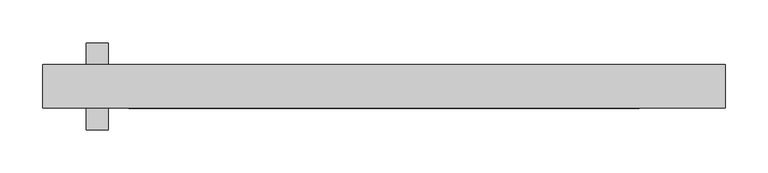
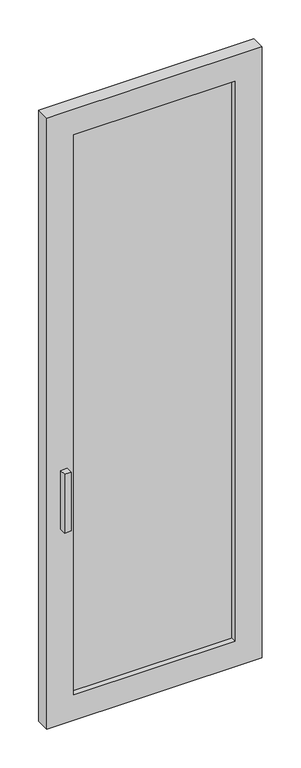
"""IFC4 building model written with IfcOpenShell, lengths in millimetres: plate geometry."""

from ifc_helpers import new_model, si_unit, frame, origin, place, context, project, spatial, polyline, outline, extrude, faceted_brep, source, transform, mapped, element, save


def plate_a7701843(model_context):
    return source(origin(), model_context, "Body", "SolidModel", [
        faceted_brep([(-321.3000001, -50.8, 990.6), (-346.7000001, -50.8, 990.6), (-346.7000001, -50.8, 762.0), (-321.3000001, -50.8, 762.0), (-321.3000001, -25.4, 990.6), (-346.7000001, -25.4, 990.6), (-346.7000001, -25.4, 762.0), (-321.3000001, -25.4, 762.0), (-397.4092903, -25.4, 2382.5), (-397.4092903, -25.4, 0.0), (397.5, -25.4, 0.0), (397.5, -25.4, 2382.5), (297.5, -25.4, 2282.5), (297.5, -25.4, 100.0), (-297.5, -25.4, 100.0), (-297.5, -25.4, 2282.5), (-397.4092903, 25.4, 2382.5), (397.5, 25.4, 2382.5), (397.5, 25.4, 0.0), (-397.4092903, 25.4, 0.0), (297.5, 25.4, 2282.5), (-297.5, 25.4, 2282.5), (-297.5, 25.4, 100.0), (297.5, 25.4, 100.0)], [[[0, 1, 2, 3]], [[1, 0, 4, 5]], [[2, 1, 5, 6]], [[3, 2, 6, 7]], [[0, 3, 7, 4]], [[8, 9, 10, 11], [12, 13, 14, 15], [5, 4, 7, 6]], [[16, 17, 18, 19], [20, 21, 22, 23]], [[9, 8, 16, 19]], [[10, 9, 19, 18]], [[11, 10, 18, 17]], [[8, 11, 17, 16]], [[13, 12, 20, 23]], [[14, 13, 23, 22]], [[15, 14, 22, 21]], [[12, 15, 21, 20]]]),
        extrude(outline(polyline([(297.5, -6.35), (-297.5, -6.35), (-297.5, 6.35), (297.5, 6.35), (297.5, -6.35)])), frame((0.0, 0.0, 100.0), z_axis=(0.0, 0.0, 1.0), x_axis=(1.0, 0.0, 0.0)), (0.0, 0.0, 1.0), 2182.5),
        extrude(outline(polyline([(-346.7000001, 50.8), (-321.3000001, 50.8), (-321.3000001, 0.0), (-346.7000001, 0.0), (-346.7000001, 50.8)])), frame((0.0, 0.0, 762.0), z_axis=(0.0, 0.0, 1.0), x_axis=(1.0, 0.0, 0.0)), (0.0, 0.0, 1.0), 228.6),
    ])


if __name__ == "__main__":
    model = new_model("IFC4")
    model_context = context("Model", 3, world=origin())
    ifc_project = project(units=[si_unit("LENGTHUNIT", "METRE", prefix="MILLI")], contexts=[model_context])
    site = spatial("IfcSite", under=ifc_project)
    building = spatial("IfcBuilding", under=site)
    placement = place(None, origin())
    plate_shape = plate_a7701843(model_context)
    element("IfcPlate", 1, at=placement, inside=building, context=model_context, shape_type="MappedRepresentation", body=[
        mapped(plate_shape, transform((0.0, 0.0, 0.0), x_axis=(1.0, 0.0, 0.0), y_axis=(0.0, 1.0, 0.0), z_axis=(0.0, 0.0, 1.0))),
    ])
    save(model, "model.ifc")
